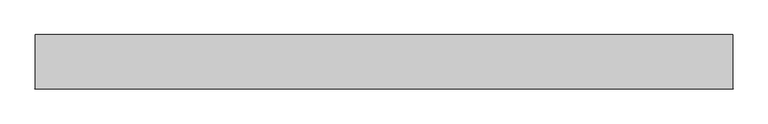
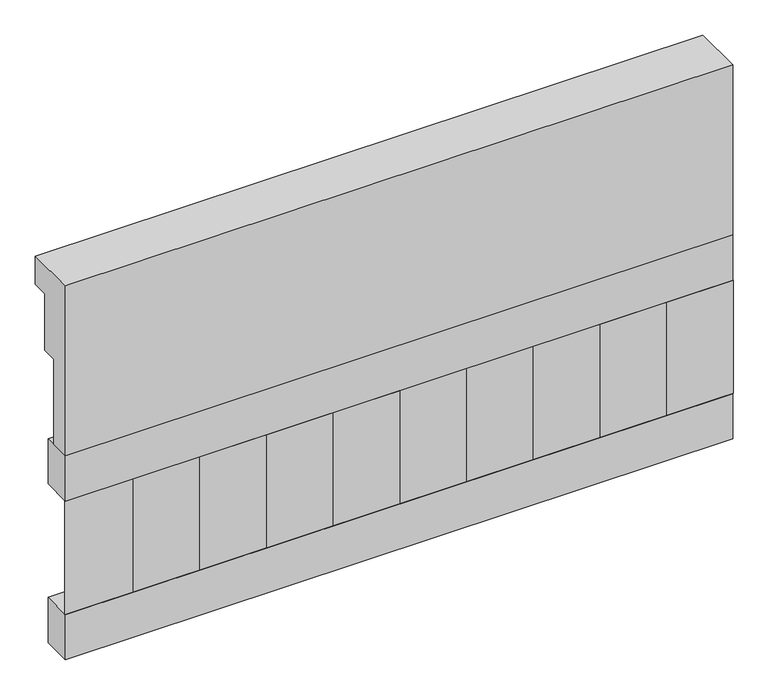
"""IFC4 building model written with IfcOpenShell, lengths in millimetres: railing geometry."""

from ifc_helpers import new_model, si_unit, frame, origin, place, context, project, spatial, polyline, outline, extrude, source, transform, mapped, element, save


def railing_35fe2af2(model_context):
    return source(origin(), model_context, "Body", "SweptSolid", [
        extrude(outline(polyline([(903.1079487, 18500.0), (1033.1079487, 18500.0), (1033.1079487, 18425.0), (993.1079487, 18425.0), (993.1079487, 18275.0), (953.1079487, 18275.0), (953.1079487, 18050.0), (903.1079487, 18050.0), (903.1079487, 18500.0)])), frame((15760.0112841, 0.0, 0.0), z_axis=(1.0, 0.0, 0.0), x_axis=(0.0, 1.0, 0.0)), (0.0, 0.0, 1.0), 1670.0),
        extrude(outline(polyline([(17430.0112841, 978.1079487), (17430.0112841, 903.1079487), (15760.0112841, 903.1079487), (15760.0112841, 978.1079487), (17430.0112841, 978.1079487)])), frame((0.0, 0.0, 17930.0), z_axis=(0.0, 0.0, 1.0), x_axis=(1.0, 0.0, 0.0)), (0.0, 0.0, 1.0), 120.0),
        extrude(outline(polyline([(17430.0112841, 978.1079487), (17430.0112841, 903.1079487), (15760.0112841, 903.1079487), (15760.0112841, 978.1079487), (17430.0112841, 978.1079487)])), frame((0.0, 0.0, 17510.0), z_axis=(0.0, 0.0, 1.0), x_axis=(1.0, 0.0, 0.0)), (0.0, 0.0, 1.0), 120.0),
        extrude(outline(polyline([(15843.5112841, 987.9607624), (15928.3640978, 903.1079487), (15758.6584704, 903.1079487), (15843.5112841, 987.9607624)])), frame((0.0, 0.0, 17630.0), z_axis=(0.0, 0.0, 1.0), x_axis=(1.0, 0.0, 0.0)), (0.0, 0.0, 1.0), 300.0),
        extrude(outline(polyline([(16010.5112841, 987.9607624), (16095.3640978, 903.1079487), (15925.6584704, 903.1079487), (16010.5112841, 987.9607624)])), frame((0.0, 0.0, 17630.0), z_axis=(0.0, 0.0, 1.0), x_axis=(1.0, 0.0, 0.0)), (0.0, 0.0, 1.0), 300.0),
        extrude(outline(polyline([(16177.5112841, 987.9607624), (16262.3640978, 903.1079487), (16092.6584704, 903.1079487), (16177.5112841, 987.9607624)])), frame((0.0, 0.0, 17630.0), z_axis=(0.0, 0.0, 1.0), x_axis=(1.0, 0.0, 0.0)), (0.0, 0.0, 1.0), 300.0),
        extrude(outline(polyline([(16344.5112841, 987.9607624), (16429.3640978, 903.1079487), (16259.6584704, 903.1079487), (16344.5112841, 987.9607624)])), frame((0.0, 0.0, 17630.0), z_axis=(0.0, 0.0, 1.0), x_axis=(1.0, 0.0, 0.0)), (0.0, 0.0, 1.0), 300.0),
        extrude(outline(polyline([(16511.5112841, 987.9607624), (16596.3640978, 903.1079487), (16426.6584704, 903.1079487), (16511.5112841, 987.9607624)])), frame((0.0, 0.0, 17630.0), z_axis=(0.0, 0.0, 1.0), x_axis=(1.0, 0.0, 0.0)), (0.0, 0.0, 1.0), 300.0),
        extrude(outline(polyline([(16678.5112841, 987.9607624), (16763.3640978, 903.1079487), (16593.6584704, 903.1079487), (16678.5112841, 987.9607624)])), frame((0.0, 0.0, 17630.0), z_axis=(0.0, 0.0, 1.0), x_axis=(1.0, 0.0, 0.0)), (0.0, 0.0, 1.0), 300.0),
        extrude(outline(polyline([(16845.5112841, 987.9607624), (16930.3640978, 903.1079487), (16760.6584704, 903.1079487), (16845.5112841, 987.9607624)])), frame((0.0, 0.0, 17630.0), z_axis=(0.0, 0.0, 1.0), x_axis=(1.0, 0.0, 0.0)), (0.0, 0.0, 1.0), 300.0),
        extrude(outline(polyline([(17012.5112841, 987.9607624), (17097.3640978, 903.1079487), (16927.6584704, 903.1079487), (17012.5112841, 987.9607624)])), frame((0.0, 0.0, 17630.0), z_axis=(0.0, 0.0, 1.0), x_axis=(1.0, 0.0, 0.0)), (0.0, 0.0, 1.0), 300.0),
        extrude(outline(polyline([(17179.5112841, 987.9607624), (17264.3640978, 903.1079487), (17094.6584704, 903.1079487), (17179.5112841, 987.9607624)])), frame((0.0, 0.0, 17630.0), z_axis=(0.0, 0.0, 1.0), x_axis=(1.0, 0.0, 0.0)), (0.0, 0.0, 1.0), 300.0),
        extrude(outline(polyline([(17346.5112841, 987.9607624), (17431.3640978, 903.1079487), (17261.6584704, 903.1079487), (17346.5112841, 987.9607624)])), frame((0.0, 0.0, 17630.0), z_axis=(0.0, 0.0, 1.0), x_axis=(1.0, 0.0, 0.0)), (0.0, 0.0, 1.0), 300.0),
    ])


if __name__ == "__main__":
    model = new_model("IFC4")
    model_context = context("Model", 3, world=origin())
    ifc_project = project(units=[si_unit("LENGTHUNIT", "METRE", prefix="MILLI")], contexts=[model_context])
    site = spatial("IfcSite", under=ifc_project)
    building = spatial("IfcBuilding", under=site)
    placement = place(None, origin())
    railing_shape = railing_35fe2af2(model_context)
    element("IfcRailing", 1, at=placement, inside=building, context=model_context, shape_type="MappedRepresentation", body=[
        mapped(railing_shape, transform((0.0, 0.0, 0.0), x_axis=(1.0, 0.0, 0.0), y_axis=(0.0, 1.0, 0.0), z_axis=(0.0, 0.0, 1.0))),
    ])
    save(model, "model.ifc")
